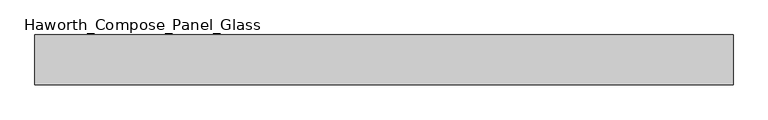
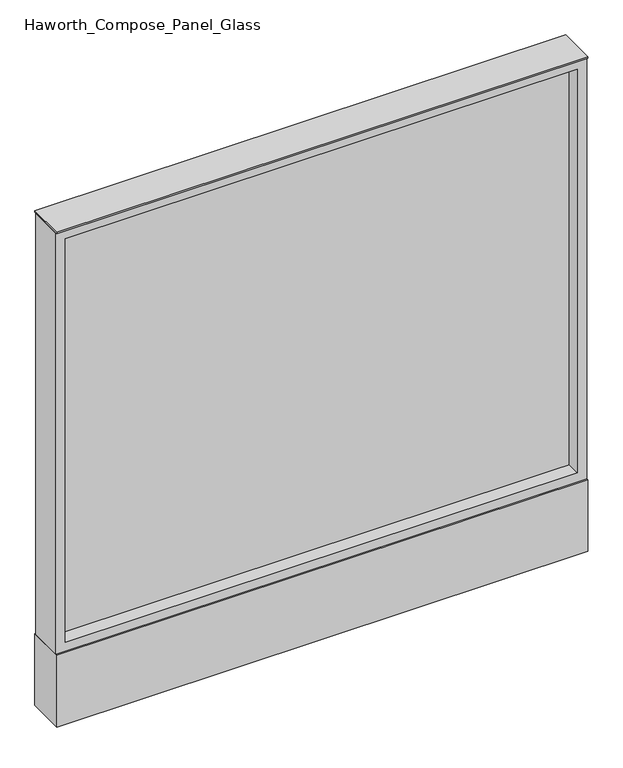
"""IFC4 building model written with IfcOpenShell, lengths in millimetres: furniture geometry, Haworth_Compose_Panel_Glass."""

from ifc_helpers import new_model, si_unit, point, frame, frame_2d, origin, origin_with_axes, place, context, project, spatial, polyline, circle_curve, trimmed, segment, composite_curve, outline, extrude, source, transform, mapped, element, save


def haworth_compose_panel_glass_3570cfe7(model_context):
    return source(origin(), model_context, "Body", "SweptSolid", [
        extrude(outline(composite_curve([segment(trimmed(circle_curve(frame_2d((459.6402902, 0.0)), 12.7), [point((446.9402902, 0.0))], [point((472.3402902, 0.0))], False, "CARTESIAN"), True, "CONTINUOUS"), segment(trimmed(circle_curve(frame_2d((459.6402902, 0.0)), 12.7), [point((472.3402902, 0.0))], [point((446.9402902, 0.0))], False, "CARTESIAN"), True, "CONTINUOUS")], self_intersect=False)), origin_with_axes(), (0.0, 0.0, 1.0), 12.7),
        extrude(outline(composite_curve([segment(trimmed(circle_curve(frame_2d((-454.7597098, 0.0)), 12.7), [point((-467.4597098, 0.0))], [point((-442.0597098, 0.0))], False, "CARTESIAN"), True, "CONTINUOUS"), segment(trimmed(circle_curve(frame_2d((-454.7597098, 0.0)), 12.7), [point((-442.0597098, 0.0))], [point((-467.4597098, 0.0))], False, "CARTESIAN"), True, "CONTINUOUS")], self_intersect=False)), origin_with_axes(), (0.0, 0.0, 1.0), 12.7),
        extrude(outline(polyline([(516.7902902, -6.35), (-511.9097098, -6.35), (-511.9097098, 6.35), (516.7902902, 6.35), (516.7902902, -6.35)])), frame((0.0, 0.0, 184.15), z_axis=(0.0, 0.0, 1.0), x_axis=(1.0, 0.0, 0.0)), (0.0, 0.0, 1.0), 857.25),
        extrude(outline(polyline([(1060.45, -530.9597098), (165.1, -530.9597098), (165.1, 535.8402902), (1060.45, 535.8402902), (1060.45, -530.9597098)]), holes=[polyline([(1041.4, 516.7902902), (184.15, 516.7902902), (184.15, -511.9097098), (1041.4, -511.9097098), (1041.4, 516.7902902)])]), frame((0.0, -34.925, 0.0), z_axis=(0.0, 1.0, 0.0), x_axis=(0.0, 0.0, 1.0)), (0.0, 0.0, 1.0), 69.85),
        extrude(outline(polyline([(-530.9597098, 38.1), (535.8402902, 38.1), (535.8402902, -38.1), (-530.9597098, -38.1), (-530.9597098, 38.1)])), frame((0.0, 0.0, 12.7), z_axis=(0.0, 0.0, 1.0), x_axis=(1.0, 0.0, 0.0)), (0.0, 0.0, 1.0), 152.4),
        extrude(outline(polyline([(-530.9597098, -38.1), (-530.9597098, 38.1), (535.8402902, 38.1), (535.8402902, -38.1), (-530.9597098, -38.1)])), frame((0.0, 0.0, 1060.45), z_axis=(0.0, 0.0, 1.0), x_axis=(1.0, 0.0, 0.0)), (0.0, 0.0, 1.0), 3.175),
    ])


if __name__ == "__main__":
    model = new_model("IFC4")
    model_context = context("Model", 3, world=origin())
    ifc_project = project(units=[si_unit("LENGTHUNIT", "METRE", prefix="MILLI")], contexts=[model_context])
    site = spatial("IfcSite", under=ifc_project)
    building = spatial("IfcBuilding", under=site)
    placement = place(None, origin())
    haworth_compose_panel_glass_shape = haworth_compose_panel_glass_3570cfe7(model_context)
    element("IfcFurniture", 1, ObjectType="Haworth_Compose_Panel_Glass", at=placement, inside=building, context=model_context, shape_type="MappedRepresentation", body=[
        mapped(haworth_compose_panel_glass_shape, transform((0.0, 0.0, 0.0), x_axis=(1.0, 0.0, 0.0), y_axis=(0.0, 1.0, 0.0), z_axis=(0.0, 0.0, 1.0))),
    ])
    save(model, "model.ifc")
